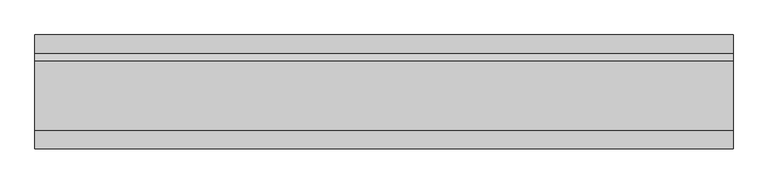
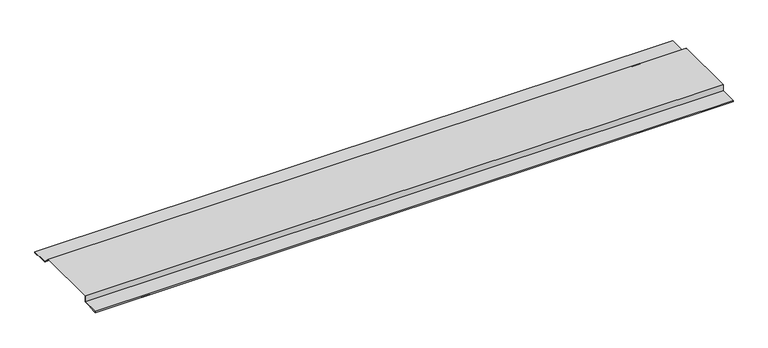
"""IFC4 building model written with IfcOpenShell, lengths in millimetres: proxy geometry."""

from ifc_helpers import new_model, si_unit, frame, origin, place, context, project, spatial, polyline, outline, extrude, source, transform, mapped, element, save


def generic_models_36ce0f99(model_context):
    return source(origin(), model_context, "Body", "SweptSolid", [
        extrude(outline(polyline([(99.5857864, 4.0), (84.5857864, 19.0), (-64.0, 19.0), (-64.0, 4.0), (-104.0, 4.0), (-104.0, 3.0), (-95.0, 3.0), (-95.0, 2.0), (-105.0, 2.0), (-105.0, 5.0), (-65.0, 5.0), (-65.0, 20.0), (85.0, 20.0), (100.0, 5.0), (140.0, 5.0), (140.0, 2.0), (130.0, 2.0), (130.0, 3.0), (139.0, 3.0), (139.0, 4.0), (99.5857864, 4.0)])), frame((0.0, 0.0, 0.0), z_axis=(1.0, 0.0, 0.0), x_axis=(0.0, 1.0, 0.0)), (0.0, 0.0, 1.0), 1500.0),
    ])


if __name__ == "__main__":
    model = new_model("IFC4")
    model_context = context("Model", 3, world=origin())
    ifc_project = project(units=[si_unit("LENGTHUNIT", "METRE", prefix="MILLI")], contexts=[model_context])
    site = spatial("IfcSite", under=ifc_project)
    building = spatial("IfcBuilding", under=site)
    placement = place(None, origin())
    generic_models_shape = generic_models_36ce0f99(model_context)
    element("IfcBuildingElementProxy", 1, Name="Generic Models", at=placement, inside=building, context=model_context, shape_type="MappedRepresentation", body=[
        mapped(generic_models_shape, transform((0.0, 0.0, 0.0), x_axis=(1.0, 0.0, 0.0), y_axis=(0.0, 1.0, 0.0), z_axis=(0.0, 0.0, 1.0))),
    ])
    save(model, "model.ifc")
